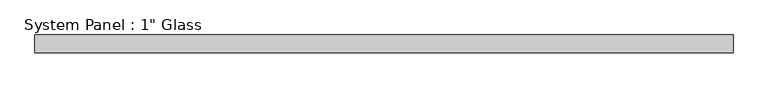
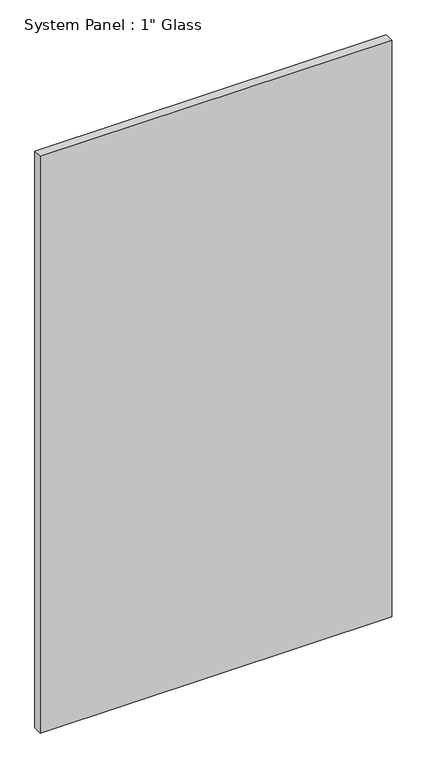
"""IFC4 building model written with IfcOpenShell, lengths in millimetres: plate geometry."""

from ifc_helpers import new_model, si_unit, origin, origin_with_axes, place, context, project, spatial, polyline, outline, extrude, source, transform, mapped, element, save


def plate_0f2b1c95(model_context):
    return source(origin(), model_context, "Body", "SweptSolid", [
        extrude(outline(polyline([(501.65, -12.7), (-501.65, -12.7), (-501.65, 12.7), (501.65, 12.7), (501.65, -12.7)])), origin_with_axes(), (0.0, 0.0, 1.0), 1739.9),
    ])


if __name__ == "__main__":
    model = new_model("IFC4")
    model_context = context("Model", 3, world=origin())
    ifc_project = project(units=[si_unit("LENGTHUNIT", "METRE", prefix="MILLI")], contexts=[model_context])
    site = spatial("IfcSite", under=ifc_project)
    building = spatial("IfcBuilding", under=site)
    placement = place(None, origin())
    plate_shape = plate_0f2b1c95(model_context)
    element("IfcPlate", 1, ObjectType="System Panel : 1\" Glass", at=placement, inside=building, context=model_context, shape_type="MappedRepresentation", body=[
        mapped(plate_shape, transform((0.0, 0.0, 0.0), x_axis=(1.0, 0.0, 0.0), y_axis=(0.0, 1.0, 0.0), z_axis=(0.0, 0.0, 1.0))),
    ])
    save(model, "model.ifc")
